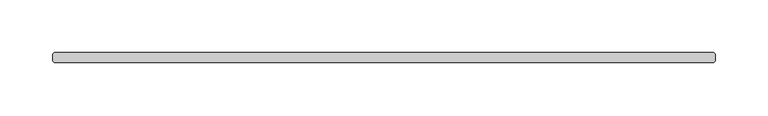
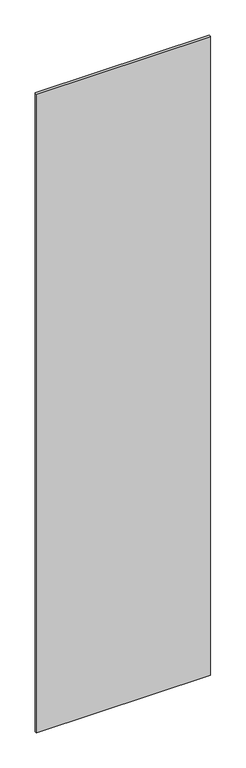
"""IFC4 building model written with IfcOpenShell, lengths in millimetres: plate geometry."""

from ifc_helpers import new_model, si_unit, origin, origin_with_axes, place, context, project, spatial, polyline, outline, extrude, source, transform, mapped, element, save


def plate_9e419cbd(model_context):
    return source(origin(), model_context, "Body", "SweptSolid", [
        extrude(outline(polyline([(312.340625, 4.7625), (313.928125, 3.175), (313.928125, -3.175), (312.340625, -4.7625), (-312.340625, -4.7625), (-313.928125, -3.175), (-313.928125, 3.175), (-312.340625, 4.7625), (312.340625, 4.7625)])), origin_with_axes(), (0.0, 0.0, 1.0), 2427.1914267),
    ])


if __name__ == "__main__":
    model = new_model("IFC4")
    model_context = context("Model", 3, world=origin())
    ifc_project = project(units=[si_unit("LENGTHUNIT", "METRE", prefix="MILLI")], contexts=[model_context])
    site = spatial("IfcSite", under=ifc_project)
    building = spatial("IfcBuilding", under=site)
    placement = place(None, origin())
    plate_shape = plate_9e419cbd(model_context)
    element("IfcPlate", 1, at=placement, inside=building, context=model_context, shape_type="MappedRepresentation", body=[
        mapped(plate_shape, transform((0.0, 0.0, 0.0), x_axis=(1.0, 0.0, 0.0), y_axis=(0.0, 1.0, 0.0), z_axis=(0.0, 0.0, 1.0))),
    ])
    save(model, "model.ifc")
